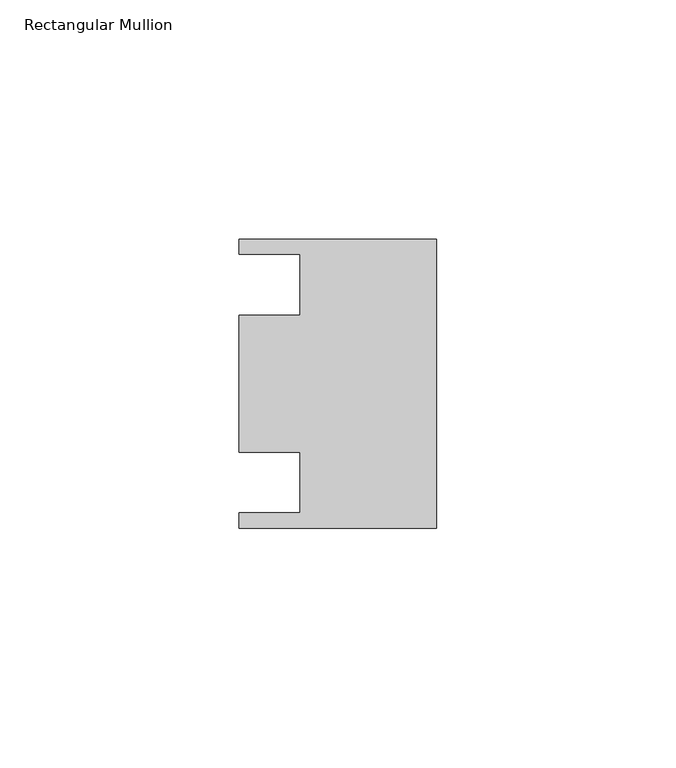
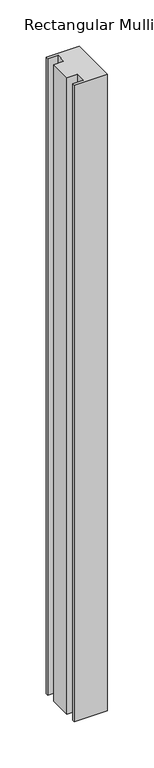
"""IFC4 building model written with IfcOpenShell, lengths in millimetres: member geometry, Rectangular Mullion."""

from ifc_helpers import new_model, si_unit, frame, origin, place, context, project, spatial, polyline, outline, extrude, source, transform, mapped, element, save


def rectangular_mullion_d35c2eea(model_context):
    return source(origin(), model_context, "Body", "SweptSolid", [
        extrude(outline(polyline([(0.0, 30.1625), (0.0, -30.1625), (-41.275, -30.1625), (-41.275, -26.9875), (-28.575, -26.9875), (-28.575, -14.2875), (-41.275, -14.2875), (-41.275, 14.2875), (-28.575, 14.2875), (-28.575, 26.9875), (-41.275, 26.9875), (-41.275, 30.1625), (0.0, 30.1625)])), frame((0.0, 0.0, -838.2), z_axis=(0.0, 0.0, 1.0), x_axis=(1.0, 0.0, 0.0)), (0.0, 0.0, 1.0), 838.2),
    ])


if __name__ == "__main__":
    model = new_model("IFC4")
    model_context = context("Model", 3, world=origin())
    ifc_project = project(units=[si_unit("LENGTHUNIT", "METRE", prefix="MILLI")], contexts=[model_context])
    site = spatial("IfcSite", under=ifc_project)
    building = spatial("IfcBuilding", under=site)
    placement = place(None, origin())
    rectangular_mullion_shape = rectangular_mullion_d35c2eea(model_context)
    element("IfcMember", 1, ObjectType="Rectangular Mullion", at=placement, inside=building, context=model_context, shape_type="MappedRepresentation", body=[
        mapped(rectangular_mullion_shape, transform((0.0, 0.0, 0.0), x_axis=(1.0, 0.0, 0.0), y_axis=(0.0, 1.0, 0.0), z_axis=(0.0, 0.0, 1.0))),
    ])
    save(model, "model.ifc")
